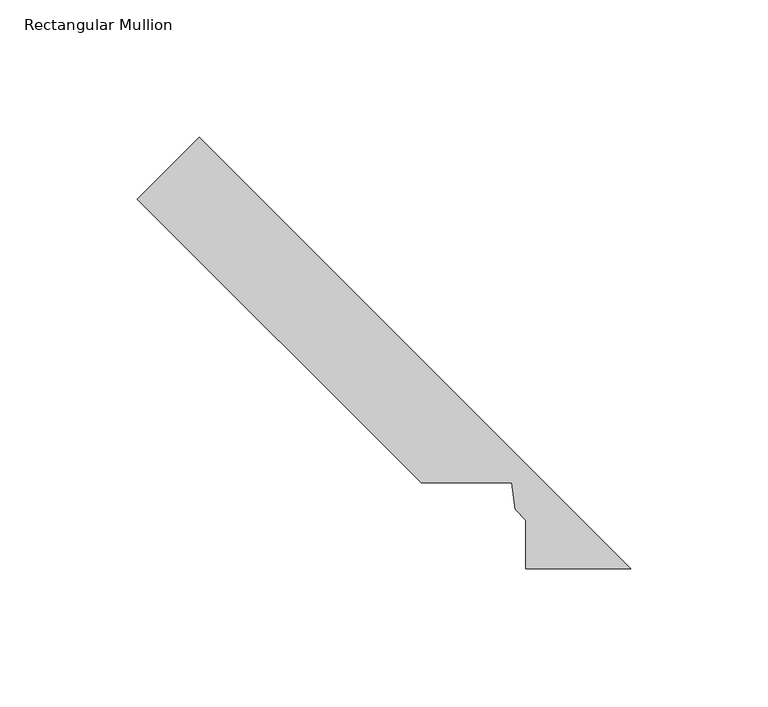
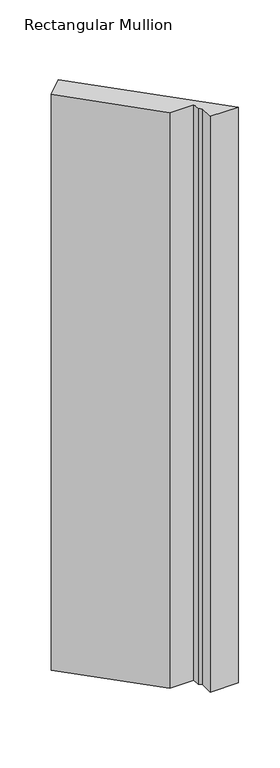
"""IFC4 building model written with IfcOpenShell, lengths in millimetres: member geometry, Rectangular Mullion."""

from ifc_helpers import new_model, si_unit, frame, origin, place, context, project, spatial, polyline, outline, extrude, source, transform, mapped, element, save


def rectangular_mullion_6974e578(model_context):
    return source(origin(), model_context, "Body", "SweptSolid", [
        extrude(outline(polyline([(-199.5040807, 154.6028001), (-177.0534404, 177.0534404), (-20.0421875, 20.0421875), (-58.1270024, 20.0421875), (-58.1270024, 37.7054024), (-62.0986242, 41.6770242), (-63.276004, 51.3118941), (-96.2131748, 51.3118941), (-199.5040807, 154.6028001)])), frame((0.0, 0.0, -838.2), z_axis=(0.0, 0.0, 1.0), x_axis=(1.0, 0.0, 0.0)), (0.0, 0.0, 1.0), 838.2),
    ])


if __name__ == "__main__":
    model = new_model("IFC4")
    model_context = context("Model", 3, world=origin())
    ifc_project = project(units=[si_unit("LENGTHUNIT", "METRE", prefix="MILLI")], contexts=[model_context])
    site = spatial("IfcSite", under=ifc_project)
    building = spatial("IfcBuilding", under=site)
    placement = place(None, origin())
    rectangular_mullion_shape = rectangular_mullion_6974e578(model_context)
    element("IfcMember", 1, ObjectType="Rectangular Mullion", at=placement, inside=building, context=model_context, shape_type="MappedRepresentation", body=[
        mapped(rectangular_mullion_shape, transform((0.0, 0.0, 0.0), x_axis=(1.0, 0.0, 0.0), y_axis=(0.0, 1.0, 0.0), z_axis=(0.0, 0.0, 1.0))),
    ])
    save(model, "model.ifc")
